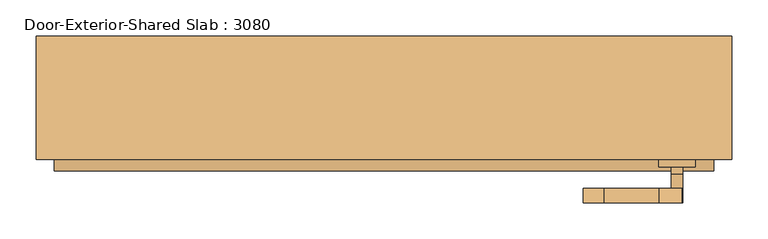
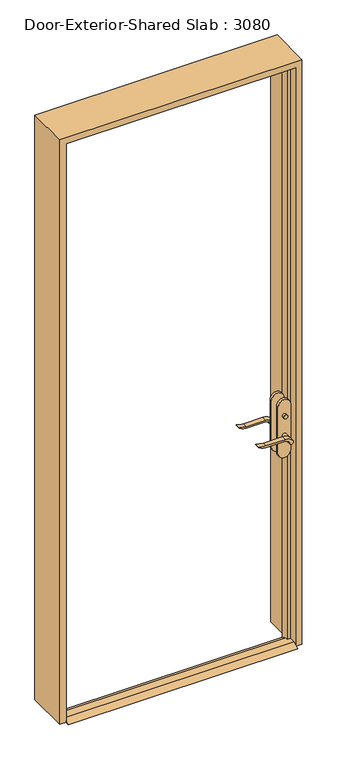
"""IFC4 building model written with IfcOpenShell, lengths in millimetres: door geometry, Door-Exterior-Shared Slab : 3080."""

from ifc_helpers import new_model, si_unit, point, frame, frame_2d, origin, place, context, project, spatial, polyline, circle_curve, trimmed, segment, composite_curve, outline, extrude, faceted_brep, source, transform, mapped, element, save


def door_exterior_shared_slab_3080_e7c3fc23(model_context):
    return source(origin(), model_context, "Body", "SolidModel", [
        extrude(outline(polyline([(-38.1, 12.7), (-12.7, 0.0), (-98.425, 0.0), (-73.025, 12.7), (-38.1, 12.7)])), frame((-457.2, 0.0, 0.0), z_axis=(1.0, 0.0, 0.0), x_axis=(0.0, 1.0, 0.0)), (0.0, 0.0, 1.0), 914.4),
        extrude(outline(polyline([(411.4, -27.625), (411.4, -37.625), (401.4, -37.625), (401.4, -27.625), (411.4, -27.625)])), frame((0.0, 0.0, 981.9), z_axis=(0.0, 0.0, 1.0), x_axis=(1.0, 0.0, 0.0)), (0.0, 0.0, 1.0), 30.0),
        extrude(outline(composite_curve([segment(trimmed(circle_curve(frame_2d((996.9, 406.4)), 8.0), [point((996.9, 398.4))], [point((996.9, 414.4))], False, "CARTESIAN"), True, "CONTINUOUS"), segment(trimmed(circle_curve(frame_2d((996.9, 406.4)), 8.0), [point((996.9, 414.4))], [point((996.9, 398.4))], False, "CARTESIAN"), True, "CONTINUOUS")], self_intersect=False)), frame((0.0, -102.55, 0.0), z_axis=(0.0, 1.0, 0.0), x_axis=(0.0, 0.0, 1.0)), (0.0, 0.0, 1.0), 10.0),
        extrude(outline(composite_curve([segment(trimmed(circle_curve(frame_2d((897.1555521, 382.7324871)), 37.2832219), [point((919.0523287, 412.9081363))], [point((934.4, 381.0325667))], False, "CARTESIAN"), True, "CONTINUOUS"), segment(polyline([(934.4, 381.0325667), (934.4, 304.7564091)]), True, "CONTINUOUS"), segment(trimmed(circle_curve(frame_2d((1017.6850638, 304.8227909)), 83.2850902), [point((934.4, 304.7564091))], [point((939.4, 276.4))], True, "CARTESIAN"), True, "CONTINUOUS"), segment(polyline([(939.4, 276.4), (936.6135558, 276.4)]), True, "CONTINUOUS"), segment(trimmed(circle_curve(frame_2d((986.6709207, 308.3396612)), 59.3791355), [point((936.6135558, 276.4))], [point((927.4, 304.7564091))], False, "CARTESIAN"), True, "CONTINUOUS"), segment(polyline([(927.4, 304.7564091), (927.4, 381.0138099)]), True, "CONTINUOUS"), segment(trimmed(circle_curve(frame_2d((909.2738613, 381.0138099)), 18.1261387), [point((927.4, 381.0138099))], [point((914.4, 398.4))], True, "CARTESIAN"), True, "CONTINUOUS"), segment(trimmed(circle_curve(frame_2d((914.4, 406.4)), 8.0), [point((914.4, 398.4))], [point((919.0523287, 412.9081363))], False, "CARTESIAN"), True, "CONTINUOUS")], self_intersect=False)), frame((0.0, -7.625, 0.0), z_axis=(0.0, 1.0, 0.0), x_axis=(0.0, 0.0, 1.0)), (0.0, 0.0, 1.0), 20.0),
        extrude(outline(composite_curve([segment(trimmed(circle_curve(frame_2d((914.4, 406.4)), 8.0), [point((914.3999903, 398.4))], [point((919.0523287, 412.9081363))], False, "CARTESIAN"), True, "CONTINUOUS"), segment(trimmed(circle_curve(frame_2d((897.1555521, 382.7324871)), 37.2832219), [point((919.0523287, 412.9081363))], [point((934.4, 381.0325667))], False, "CARTESIAN"), True, "CONTINUOUS"), segment(polyline([(934.4, 381.0325667), (934.4, 304.7564091)]), True, "CONTINUOUS"), segment(trimmed(circle_curve(frame_2d((1017.6850638, 304.8227909)), 83.2850902), [point((934.4, 304.7564091))], [point((939.4, 276.4))], True, "CARTESIAN"), True, "CONTINUOUS"), segment(polyline([(939.4, 276.4), (936.6135558, 276.4)]), True, "CONTINUOUS"), segment(trimmed(circle_curve(frame_2d((986.6709207, 308.3396612)), 59.3791355), [point((936.6135558, 276.4))], [point((927.4, 304.7564091))], False, "CARTESIAN"), True, "CONTINUOUS"), segment(polyline([(927.4, 304.7564091), (927.4, 381.0138122)]), True, "CONTINUOUS"), segment(trimmed(circle_curve(frame_2d((909.2738682, 381.0138122)), 18.1261318), [point((927.4, 381.0138122))], [point((914.3999903, 398.4))], True, "CARTESIAN"), True, "CONTINUOUS")], self_intersect=False)), frame((0.0, -142.55, 0.0), z_axis=(0.0, 1.0, 0.0), x_axis=(0.0, 0.0, 1.0)), (0.0, 0.0, 1.0), 20.0),
        extrude(outline(composite_curve([segment(trimmed(circle_curve(frame_2d((914.4, 406.4)), 8.0), [point((914.4, 398.4))], [point((914.4, 414.4))], False, "CARTESIAN"), True, "CONTINUOUS"), segment(trimmed(circle_curve(frame_2d((914.4, 406.4)), 8.0), [point((914.4, 414.4))], [point((914.4, 398.4))], False, "CARTESIAN"), True, "CONTINUOUS")], self_intersect=False)), frame((0.0, -37.625, 0.0), z_axis=(0.0, 1.0, 0.0), x_axis=(0.0, 0.0, 1.0)), (0.0, 0.0, 1.0), 30.0),
        extrude(outline(composite_curve([segment(trimmed(circle_curve(frame_2d((914.4, 406.4)), 8.0), [point((914.4, 398.4))], [point((914.4, 414.4))], False, "CARTESIAN"), True, "CONTINUOUS"), segment(trimmed(circle_curve(frame_2d((914.4, 406.4)), 8.0), [point((914.4, 414.4))], [point((914.4, 398.4))], False, "CARTESIAN"), True, "CONTINUOUS")], self_intersect=False)), frame((0.0, -122.55, 0.0), z_axis=(0.0, 1.0, 0.0), x_axis=(0.0, 0.0, 1.0)), (0.0, 0.0, 1.0), 30.0),
        extrude(outline(composite_curve([segment(polyline([(844.4, 431.4), (1039.4, 431.4)]), True, "CONTINUOUS"), segment(trimmed(circle_curve(frame_2d((1039.4, 406.4)), 25.0), [point((1039.4, 431.4))], [point((1039.4, 381.4))], False, "CARTESIAN"), True, "CONTINUOUS"), segment(polyline([(1039.4, 381.4), (844.4, 381.4)]), True, "CONTINUOUS"), segment(trimmed(circle_curve(frame_2d((844.4, 406.4)), 25.0), [point((844.4, 381.4))], [point((844.4, 431.4))], False, "CARTESIAN"), True, "CONTINUOUS")], self_intersect=False)), frame((0.0, -47.625, 0.0), z_axis=(0.0, 1.0, 0.0), x_axis=(0.0, 0.0, 1.0)), (0.0, 0.0, 1.0), 10.0),
        extrude(outline(composite_curve([segment(polyline([(844.4, 431.4), (1039.4, 431.4)]), True, "CONTINUOUS"), segment(trimmed(circle_curve(frame_2d((1039.4, 406.4)), 25.0), [point((1039.4, 431.4))], [point((1039.4, 381.4))], False, "CARTESIAN"), True, "CONTINUOUS"), segment(polyline([(1039.4, 381.4), (844.4, 381.4)]), True, "CONTINUOUS"), segment(trimmed(circle_curve(frame_2d((844.4, 406.4)), 25.0), [point((844.4, 381.4))], [point((844.4, 431.4))], False, "CARTESIAN"), True, "CONTINUOUS")], self_intersect=False)), frame((0.0, -92.55, 0.0), z_axis=(0.0, 1.0, 0.0), x_axis=(0.0, 0.0, 1.0)), (0.0, 0.0, 1.0), 10.0),
        faceted_brep([(482.6, -82.55, 0.0), (457.2, -82.55, 0.0), (457.2, -47.625, 0.0), (444.5, -47.625, 0.0), (444.5, -12.7, 0.0), (457.2, -12.7, 0.0), (457.2, 88.9, 0.0), (482.6, 88.9, 0.0), (482.6, 88.9, 2463.8), (482.6, -82.55, 2463.8), (457.2, 88.9, 2438.4), (-457.2, 88.9, 2438.4), (-457.2, 88.9, 0.0), (-482.6, 88.9, 0.0), (-482.6, 88.9, 2463.8), (457.2, -12.7, 2438.4), (444.5, -12.7, 2425.7), (-444.5, -12.7, 2425.7), (-444.5, -12.7, 0.0), (-457.2, -12.7, 0.0), (-457.2, -12.7, 2438.4), (444.5, -47.625, 2425.7), (457.2, -47.625, 2438.4), (-457.2, -47.625, 2438.4), (-457.2, -47.625, 0.0), (-444.5, -47.625, 0.0), (-444.5, -47.625, 2425.7), (457.2, -82.55, 2438.4), (-482.6, -82.55, 2463.8), (-482.6, -82.55, 0.0), (-457.2, -82.55, 0.0), (-457.2, -82.55, 2438.4)], [[[0, 1, 2, 3, 4, 5, 6, 7]], [[7, 8, 9, 0]], [[6, 10, 11, 12, 13, 14, 8, 7]], [[5, 15, 10, 6]], [[4, 16, 17, 18, 19, 20, 15, 5]], [[3, 21, 16, 4]], [[2, 22, 23, 24, 25, 26, 21, 3]], [[1, 27, 22, 2]], [[0, 9, 28, 29, 30, 31, 27, 1]], [[8, 14, 28, 9]], [[15, 20, 11, 10]], [[21, 26, 17, 16]], [[27, 31, 23, 22]], [[29, 13, 12, 19, 18, 25, 24, 30]], [[14, 13, 29, 28]], [[20, 19, 12, 11]], [[26, 25, 18, 17]], [[31, 30, 24, 23]]]),
    ])


if __name__ == "__main__":
    model = new_model("IFC4")
    model_context = context("Model", 3, world=origin())
    ifc_project = project(units=[si_unit("LENGTHUNIT", "METRE", prefix="MILLI")], contexts=[model_context])
    site = spatial("IfcSite", under=ifc_project)
    building = spatial("IfcBuilding", under=site)
    placement = place(None, origin())
    door_exterior_shared_slab_3080_shape = door_exterior_shared_slab_3080_e7c3fc23(model_context)
    element("IfcDoor", 1, ObjectType="Door-Exterior-Shared Slab : 3080", at=placement, inside=building, context=model_context, shape_type="MappedRepresentation", body=[
        mapped(door_exterior_shared_slab_3080_shape, transform((0.0, 0.0, 0.0), x_axis=(1.0, 0.0, 0.0), y_axis=(0.0, 1.0, 0.0), z_axis=(0.0, 0.0, 1.0))),
    ])
    save(model, "model.ifc")
